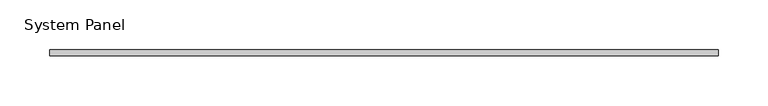
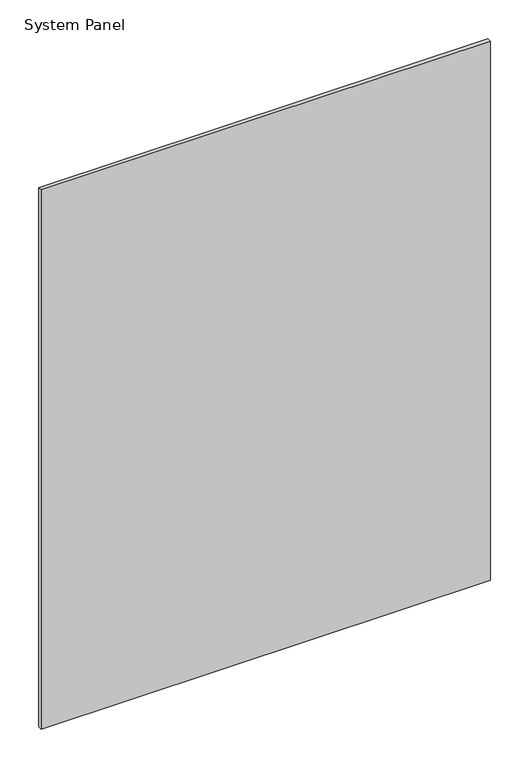
"""IFC4 building model written with IfcOpenShell, lengths in millimetres: plate geometry, System Panel."""

from ifc_helpers import new_model, si_unit, origin, origin_with_axes, place, context, project, spatial, polyline, outline, extrude, source, transform, mapped, element, save


def system_panel_0d61aee7(model_context):
    return source(origin(), model_context, "Body", "SweptSolid", [
        extrude(outline(polyline([(335.0, -3.0), (-335.0, -3.0), (-335.0, 3.0), (335.0, 3.0), (335.0, -3.0)])), origin_with_axes(), (0.0, 0.0, 1.0), 850.0),
    ])


if __name__ == "__main__":
    model = new_model("IFC4")
    model_context = context("Model", 3, world=origin())
    ifc_project = project(units=[si_unit("LENGTHUNIT", "METRE", prefix="MILLI")], contexts=[model_context])
    site = spatial("IfcSite", under=ifc_project)
    building = spatial("IfcBuilding", under=site)
    placement = place(None, origin())
    system_panel_shape = system_panel_0d61aee7(model_context)
    element("IfcPlate", 1, ObjectType="System Panel", at=placement, inside=building, context=model_context, shape_type="MappedRepresentation", body=[
        mapped(system_panel_shape, transform((0.0, 0.0, 0.0), x_axis=(1.0, 0.0, 0.0), y_axis=(0.0, 1.0, 0.0), z_axis=(0.0, 0.0, 1.0))),
    ])
    save(model, "model.ifc")
